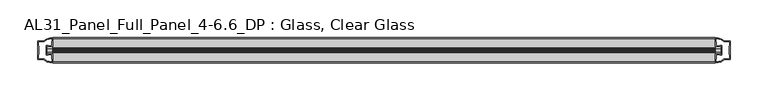
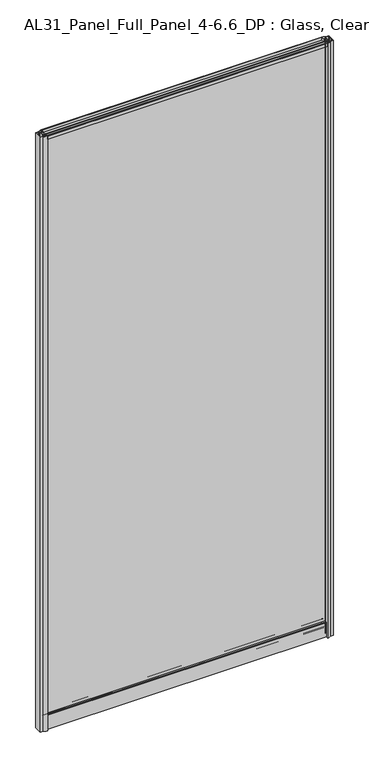
"""IFC4 building model written with IfcOpenShell, lengths in millimetres: plate geometry, AL31_Panel_Full_Panel_4-6.6_DP : Glass, Clear Glass."""

from ifc_helpers import new_model, si_unit, point, frame, frame_2d, origin, origin_with_axes, place, context, project, spatial, polyline, circle_curve, trimmed, segment, composite_curve, outline, extrude, source, transform, mapped, element, save


def al31_panel_full_panel_4_6_6_dp_glass_clear_glass_b34c2352(model_context):
    return source(origin(), model_context, "Body", "SweptSolid", [
        extrude(outline(composite_curve([segment(trimmed(circle_curve(frame_2d((-19.957, 1961.8572926)), 3.0), [point((-18.457, 1964.4553688))], [point((-17.4851586, 1960.1572926))], False, "CARTESIAN"), True, "CONTINUOUS"), segment(polyline([(-17.4851586, 1960.1572926), (-4.157, 1960.1572926), (-4.157, 1969.5572926), (-2.857, 1969.5572926), (-2.857, 1959.0572926), (-13.1545312, 1959.0572926), (-13.1545312, 1958.2572926), (-13.6601218, 1956.3357964), (-13.6601218, 1951.6572926), (-14.857, 1951.6572926), (-14.857, 1956.9912672), (-14.357, 1957.8572926), (-14.357, 1959.0572926), (-25.357, 1959.0572926), (-25.357, 1957.8572926), (-24.857, 1956.9912672), (-24.857, 1951.6572926), (-26.0538782, 1951.6572926), (-26.0538782, 1956.3357964), (-26.5594688, 1958.2572926), (-26.5594688, 1959.0572926), (-36.857, 1959.0572926), (-36.857, 1969.5572926), (-35.557, 1969.5572926), (-35.557, 1960.1572926), (-22.4288414, 1960.1572926)]), True, "CONTINUOUS"), segment(trimmed(circle_curve(frame_2d((-19.957, 1961.8572926)), 3.0), [point((-22.4288414, 1960.1572926))], [point((-21.457, 1964.4553688))], False, "CARTESIAN"), True, "CONTINUOUS"), segment(polyline([(-21.457, 1964.4553688), (-20.907, 1963.5027409)]), True, "CONTINUOUS"), segment(trimmed(circle_curve(frame_2d((-19.957, 1961.8572926)), 1.9), [point((-20.907, 1963.5027409))], [point((-19.007, 1963.5027409))], True, "CARTESIAN"), True, "CONTINUOUS"), segment(polyline([(-19.007, 1963.5027409), (-18.457, 1964.4553688)]), True, "CONTINUOUS")], self_intersect=False)), frame((-439.2594583, 0.0, 0.0), z_axis=(1.0, 0.0, 0.0), x_axis=(0.0, 1.0, 0.0)), (0.0, 0.0, 1.0), 878.5189167),
        extrude(outline(composite_curve([segment(polyline([(-11.457, 35.8), (-28.257, 35.8)]), True, "CONTINUOUS"), segment(trimmed(circle_curve(frame_2d((-28.257, 34.8)), 1.0), [point((-28.257, 35.8))], [point((-29.257, 34.8))], True, "CARTESIAN"), True, "CONTINUOUS"), segment(polyline([(-29.257, 34.8), (-29.257, 33.5), (-24.8569697, 33.5), (-24.8569697, 32.3), (-29.257, 32.3), (-29.257, 0.0), (-30.457, 0.0), (-30.457, 47.3)]), True, "CONTINUOUS"), segment(trimmed(circle_curve(frame_2d((-28.457, 47.3)), 2.0), [point((-30.457, 47.3))], [point((-28.457, 49.3))], False, "CARTESIAN"), True, "CONTINUOUS"), segment(polyline([(-28.457, 49.3), (-24.857, 49.3), (-24.857, 41.9), (-14.857, 41.9), (-14.857, 49.3), (-11.257, 49.3)]), True, "CONTINUOUS"), segment(trimmed(circle_curve(frame_2d((-11.257, 47.3)), 2.0), [point((-11.257, 49.3))], [point((-9.257, 47.3))], False, "CARTESIAN"), True, "CONTINUOUS"), segment(polyline([(-9.257, 47.3), (-9.257, 0.0), (-10.457, 0.0), (-10.457, 32.3), (-14.8569697, 32.3), (-14.8569697, 33.5), (-10.457, 33.5), (-10.457, 34.8)]), True, "CONTINUOUS"), segment(trimmed(circle_curve(frame_2d((-11.457, 34.8)), 1.0), [point((-10.457, 34.8))], [point((-11.457, 35.8))], True, "CARTESIAN"), True, "CONTINUOUS")], self_intersect=False), holes=[composite_curve([segment(polyline([(-26.3594688, 41.8), (-26.3594688, 42.9)]), True, "CONTINUOUS"), segment(trimmed(circle_curve(frame_2d((-25.1594688, 42.9)), 1.2), [point((-26.3594688, 42.9))], [point((-25.9768184, 43.7786009))], False, "CARTESIAN"), True, "CONTINUOUS"), segment(polyline([(-25.9768184, 43.7786009), (-25.9768184, 48.2), (-28.257, 48.2)]), True, "CONTINUOUS"), segment(trimmed(circle_curve(frame_2d((-28.257, 47.2)), 1.0), [point((-28.257, 48.2))], [point((-29.257, 47.2))], True, "CARTESIAN"), True, "CONTINUOUS"), segment(polyline([(-29.257, 47.2), (-29.257, 37.04), (-22.6578965, 37.04), (-22.6578965, 38.0725806), (-21.6940508, 38.0725806)]), True, "CONTINUOUS"), segment(trimmed(circle_curve(frame_2d((-19.857, 39.1)), 2.1048387), [point((-21.6940508, 38.0725806))], [point((-18.0199492, 38.0725806))], True, "CARTESIAN"), True, "CONTINUOUS"), segment(polyline([(-18.0199492, 38.0725806), (-17.0561035, 38.0725806), (-17.0561035, 37.04), (-10.457, 37.04), (-10.457, 47.2)]), True, "CONTINUOUS"), segment(trimmed(circle_curve(frame_2d((-11.457, 47.2)), 1.0), [point((-10.457, 47.2))], [point((-11.457, 48.2))], True, "CARTESIAN"), True, "CONTINUOUS"), segment(polyline([(-11.457, 48.2), (-13.7371816, 48.2), (-13.7371816, 43.5786009)]), True, "CONTINUOUS"), segment(trimmed(circle_curve(frame_2d((-14.5545312, 42.7)), 1.2), [point((-13.7371816, 43.5786009))], [point((-13.3545312, 42.7))], False, "CARTESIAN"), True, "CONTINUOUS"), segment(polyline([(-13.3545312, 42.7), (-13.3545312, 41.8)]), True, "CONTINUOUS"), segment(trimmed(circle_curve(frame_2d((-14.3545312, 41.8)), 1.0), [point((-13.3545312, 41.8))], [point((-14.3545312, 40.8))], False, "CARTESIAN"), True, "CONTINUOUS"), segment(polyline([(-14.3545312, 40.8), (-17.0561035, 40.8), (-17.0561035, 39.7274194), (-18.0199492, 39.7274194)]), True, "CONTINUOUS"), segment(trimmed(circle_curve(frame_2d((-19.857, 38.7)), 2.1048387), [point((-18.0199492, 39.7274194))], [point((-21.6940508, 39.7274194))], True, "CARTESIAN"), True, "CONTINUOUS"), segment(polyline([(-21.6940508, 39.7274194), (-22.6578965, 39.7274194), (-22.6578965, 40.8), (-25.3594688, 40.8)]), True, "CONTINUOUS"), segment(trimmed(circle_curve(frame_2d((-25.3594688, 41.8)), 1.0), [point((-25.3594688, 40.8))], [point((-26.3594688, 41.8))], False, "CARTESIAN"), True, "CONTINUOUS")], self_intersect=False)]), frame((-439.2594583, 0.0, 0.0), z_axis=(1.0, 0.0, 0.0), x_axis=(0.0, 1.0, 0.0)), (0.0, 0.0, 1.0), 878.5189167),
        extrude(outline(composite_curve([segment(polyline([(-447.1008797, -25.757), (-445.9008797, -25.757), (-445.9008797, -24.857), (-439.2594583, -24.857), (-439.2594583, -36.8571453)]), True, "CONTINUOUS"), segment(trimmed(circle_curve(frame_2d((-438.8948067, -16.8604698)), 20.0), [point((-439.2594583, -36.8571453))], [point((-450.6152936, -33.0663388))], False, "CARTESIAN"), True, "CONTINUOUS"), segment(polyline([(-450.6152936, -33.0663388), (-450.6152936, -32.1849343), (-459.2594583, -32.1849343), (-459.2594583, -7.4849343), (-450.6152936, -7.4849343), (-450.6152936, -6.6474751)]), True, "CONTINUOUS"), segment(trimmed(circle_curve(frame_2d((-438.8948067, -22.8533441)), 20.0), [point((-450.6152936, -6.6474751))], [point((-439.2594583, -2.8566686))], False, "CARTESIAN"), True, "CONTINUOUS"), segment(polyline([(-439.2594583, -2.8566686), (-439.2594583, -14.857), (-445.9008797, -14.857), (-445.9008797, -13.957), (-447.1008797, -13.957), (-447.1008797, -25.757)]), True, "CONTINUOUS")], self_intersect=False), holes=[composite_curve([segment(trimmed(circle_curve(frame_2d((-446.1008797, -14.157)), 1.5), [point((-446.1008797, -12.657))], [point((-444.7456254, -13.5141269))], False, "CARTESIAN"), True, "CONTINUOUS"), segment(polyline([(-444.7456254, -13.5141269), (-441.0008797, -13.5141269), (-441.0008797, -8.917777), (-440.5615399, -7.8571168), (-440.5615399, -4.2070183)]), True, "CONTINUOUS"), segment(trimmed(circle_curve(frame_2d((-438.8948067, -22.8325921)), 18.7), [point((-440.5615399, -4.2070183))], [point((-448.9015845, -7.0353013))], True, "CARTESIAN"), True, "CONTINUOUS"), segment(trimmed(circle_curve(frame_2d((-450.7008797, -6.9849343)), 1.8), [point((-448.9015845, -7.0353013))], [point((-450.7008797, -8.7849343))], False, "CARTESIAN"), True, "CONTINUOUS"), segment(polyline([(-450.7008797, -8.7849343), (-457.842301, -8.7849343), (-457.842301, -13.3550394), (-457.4008797, -14.417777), (-457.4008797, -25.2520916), (-457.9008797, -26.2449987), (-457.9008797, -30.8849343), (-450.7008797, -30.8849343)]), True, "CONTINUOUS"), segment(trimmed(circle_curve(frame_2d((-450.7008797, -32.6849343)), 1.8), [point((-450.7008797, -30.8849343))], [point((-448.9015845, -32.6345673))], False, "CARTESIAN"), True, "CONTINUOUS"), segment(trimmed(circle_curve(frame_2d((-438.8948067, -16.8372765)), 18.7), [point((-448.9015845, -32.6345673))], [point((-440.5615399, -35.4628503))], True, "CARTESIAN"), True, "CONTINUOUS"), segment(polyline([(-440.5615399, -35.4628503), (-440.5615399, -31.8127518), (-441.0008797, -30.7520916), (-441.0008797, -26.1561308), (-444.725728, -26.1561308)]), True, "CONTINUOUS"), segment(trimmed(circle_curve(frame_2d((-446.1008797, -25.557)), 1.5), [point((-444.725728, -26.1561308))], [point((-446.1008797, -27.057))], False, "CARTESIAN"), True, "CONTINUOUS"), segment(polyline([(-446.1008797, -27.057), (-448.4008797, -27.057), (-448.4008797, -12.657), (-446.1008797, -12.657)]), True, "CONTINUOUS")], self_intersect=False)]), origin_with_axes(), (0.0, 0.0, 1.0), 1969.5572926),
        extrude(outline(composite_curve([segment(polyline([(447.1008797, -13.957), (445.9008797, -13.957), (445.9008797, -14.857), (439.2594583, -14.857), (439.2594583, -2.8568547)]), True, "CONTINUOUS"), segment(trimmed(circle_curve(frame_2d((438.8948067, -22.8535302)), 20.0), [point((439.2594583, -2.8568547))], [point((450.6152936, -6.6476612))], False, "CARTESIAN"), True, "CONTINUOUS"), segment(polyline([(450.6152936, -6.6476612), (450.6152936, -7.5290657), (459.2594583, -7.5290657), (459.2594583, -32.2290657), (450.6152936, -32.2290657), (450.6152936, -33.0665249)]), True, "CONTINUOUS"), segment(trimmed(circle_curve(frame_2d((438.8948067, -16.8606559)), 20.0), [point((450.6152936, -33.0665249))], [point((439.2594583, -36.8573314))], False, "CARTESIAN"), True, "CONTINUOUS"), segment(polyline([(439.2594583, -36.8573314), (439.2594583, -24.857), (445.9008797, -24.857), (445.9008797, -25.757), (447.1008797, -25.757), (447.1008797, -13.957)]), True, "CONTINUOUS")], self_intersect=False), holes=[composite_curve([segment(trimmed(circle_curve(frame_2d((446.1008797, -25.557)), 1.5), [point((446.1008797, -27.057))], [point((444.7456254, -26.1998731))], False, "CARTESIAN"), True, "CONTINUOUS"), segment(polyline([(444.7456254, -26.1998731), (441.0008797, -26.1998731), (441.0008797, -30.796223), (440.5615399, -31.8568832), (440.5615399, -35.5069817)]), True, "CONTINUOUS"), segment(trimmed(circle_curve(frame_2d((438.8948067, -16.8814079)), 18.7), [point((440.5615399, -35.5069817))], [point((448.9015845, -32.6786987))], True, "CARTESIAN"), True, "CONTINUOUS"), segment(trimmed(circle_curve(frame_2d((450.7008797, -32.7290657)), 1.8), [point((448.9015845, -32.6786987))], [point((450.7008797, -30.9290657))], False, "CARTESIAN"), True, "CONTINUOUS"), segment(polyline([(450.7008797, -30.9290657), (457.842301, -30.9290657), (457.842301, -26.3589606), (457.4008797, -25.296223), (457.4008797, -14.4619084), (457.9008797, -13.4690013), (457.9008797, -8.8290657), (450.7008797, -8.8290657)]), True, "CONTINUOUS"), segment(trimmed(circle_curve(frame_2d((450.7008797, -7.0290657)), 1.8), [point((450.7008797, -8.8290657))], [point((448.9015845, -7.0794327))], False, "CARTESIAN"), True, "CONTINUOUS"), segment(trimmed(circle_curve(frame_2d((438.8948067, -22.8767235)), 18.7), [point((448.9015845, -7.0794327))], [point((440.5615399, -4.2511497))], True, "CARTESIAN"), True, "CONTINUOUS"), segment(polyline([(440.5615399, -4.2511497), (440.5615399, -7.9012482), (441.0008797, -8.9619084), (441.0008797, -13.5578692), (444.725728, -13.5578692)]), True, "CONTINUOUS"), segment(trimmed(circle_curve(frame_2d((446.1008797, -14.157)), 1.5), [point((444.725728, -13.5578692))], [point((446.1008797, -12.657))], False, "CARTESIAN"), True, "CONTINUOUS"), segment(polyline([(446.1008797, -12.657), (448.4008797, -12.657), (448.4008797, -27.057), (446.1008797, -27.057)]), True, "CONTINUOUS")], self_intersect=False)]), origin_with_axes(), (0.0, 0.0, 1.0), 1969.5572926),
        extrude(outline(polyline([(447.1008797, -17.857), (447.1008797, -21.857), (-447.1008797, -21.857), (-447.1008797, -17.857), (447.1008797, -17.857)])), frame((0.0, 0.0, 41.9), z_axis=(0.0, 0.0, 1.0), x_axis=(1.0, 0.0, 0.0)), (0.0, 0.0, 1.0), 1917.1572926),
    ])


if __name__ == "__main__":
    model = new_model("IFC4")
    model_context = context("Model", 3, world=origin())
    ifc_project = project(units=[si_unit("LENGTHUNIT", "METRE", prefix="MILLI")], contexts=[model_context])
    site = spatial("IfcSite", under=ifc_project)
    building = spatial("IfcBuilding", under=site)
    placement = place(None, origin())
    al31_panel_full_panel_4_6_6_dp_glass_clear_glass_shape = al31_panel_full_panel_4_6_6_dp_glass_clear_glass_b34c2352(model_context)
    element("IfcPlate", 1, ObjectType="AL31_Panel_Full_Panel_4-6.6_DP : Glass, Clear Glass", at=placement, inside=building, context=model_context, shape_type="MappedRepresentation", body=[
        mapped(al31_panel_full_panel_4_6_6_dp_glass_clear_glass_shape, transform((0.0, 0.0, 0.0), x_axis=(1.0, 0.0, 0.0), y_axis=(0.0, 1.0, 0.0), z_axis=(0.0, 0.0, 1.0))),
    ])
    save(model, "model.ifc")
